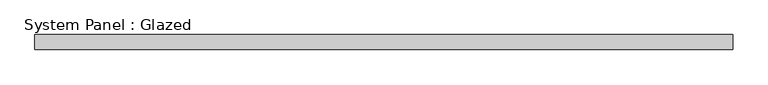
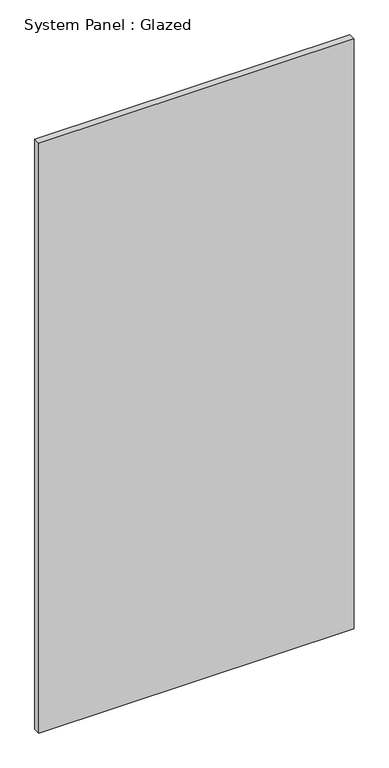
"""IFC4 building model written with IfcOpenShell, lengths in millimetres: plate geometry, System Panel : Glazed."""

from ifc_helpers import new_model, si_unit, origin, origin_with_axes, place, context, project, spatial, polyline, outline, extrude, source, transform, mapped, element, save


def system_panel_glazed_4869c905(model_context):
    return source(origin(), model_context, "Body", "SweptSolid", [
        extrude(outline(polyline([(592.5146968, 19.05), (-592.5146968, 19.05), (-592.5146968, 44.45), (592.5146968, 44.45), (592.5146968, 19.05)])), origin_with_axes(), (0.0, 0.0, 1.0), 2343.15),
    ])


if __name__ == "__main__":
    model = new_model("IFC4")
    model_context = context("Model", 3, world=origin())
    ifc_project = project(units=[si_unit("LENGTHUNIT", "METRE", prefix="MILLI")], contexts=[model_context])
    site = spatial("IfcSite", under=ifc_project)
    building = spatial("IfcBuilding", under=site)
    placement = place(None, origin())
    system_panel_glazed_shape = system_panel_glazed_4869c905(model_context)
    element("IfcPlate", 1, ObjectType="System Panel : Glazed", at=placement, inside=building, context=model_context, shape_type="MappedRepresentation", body=[
        mapped(system_panel_glazed_shape, transform((0.0, 0.0, 0.0), x_axis=(1.0, 0.0, 0.0), y_axis=(0.0, 1.0, 0.0), z_axis=(0.0, 0.0, 1.0))),
    ])
    save(model, "model.ifc")
